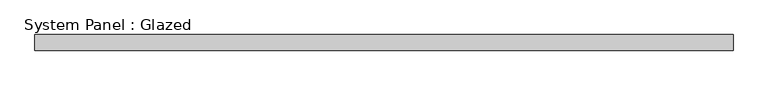
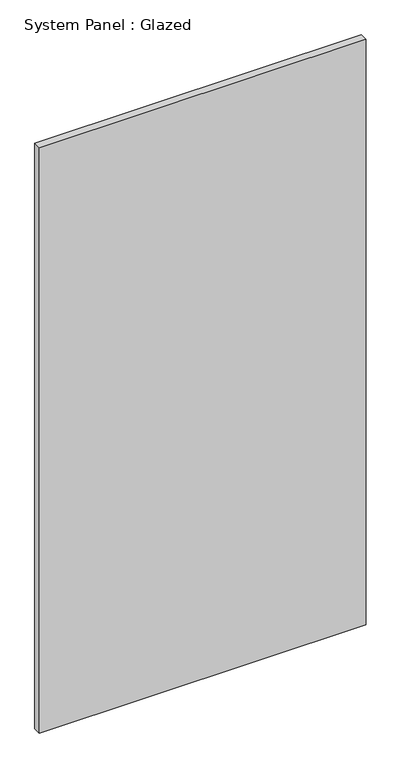
"""IFC4 building model written with IfcOpenShell, lengths in millimetres: plate geometry, System Panel : Glazed."""

import ifcopenshell
import ifcopenshell.guid

model = None  # the IFC model being written
_history = None  # IfcOwnerHistory: only IFC2X3 demands one
_inside = {}  # id of a spatial element -> (the spatial element, [elements in it])
_under = {}  # id of a project, library or spatial element -> (it, [spatial elements below it])
_declared = {}  # id of a project -> (the project, [libraries it declares])
_typed = {}  # id of a type object -> (the type object, [elements of that type])
_made_of = {}  # id of a material, layer set ... -> (it, [elements and type objects made of it])


def new_model(schema):
    """Start an empty IFC model of exactly this schema.

    Asked for "IFC4X3", IfcOpenShell would pick the latest addendum, in which some entities
    have other attributes; the version numbers below select the first issue.
    IFC2X3 requires an IfcOwnerHistory on every rooted entity: one is made here for all.
    """
    global model, _history
    if schema == "IFC4X3":
        model = ifcopenshell.file(schema_version=(4, 3, 0, 0))
    else:
        model = ifcopenshell.file(schema=schema)
    _inside.clear()
    _under.clear()
    _declared.clear()
    _typed.clear()
    _made_of.clear()
    _history = None
    if model.schema == "IFC2X3":
        org = make("IfcOrganization", Name="unknown")
        user = make(
            "IfcPersonAndOrganization",
            ThePerson=make("IfcPerson", FamilyName="unknown"),
            TheOrganization=org,
        )
        app = make(
            "IfcApplication",
            ApplicationDeveloper=org,
            Version="unknown",
            ApplicationFullName="unknown",
            ApplicationIdentifier="unknown",
        )
        _history = make(
            "IfcOwnerHistory",
            OwningUser=user,
            OwningApplication=app,
            ChangeAction="ADDED",
            CreationDate=0,
        )
    return model


def make(cls, **values):
    """One entity of the class cls with the attributes given. An attribute that is None is left unset."""
    return model.create_entity(
        cls, **{name: value for name, value in values.items() if value is not None}
    )


def rooted(cls, **values):
    """An entity with a GlobalId (a new one), such as an element, a storey or a relation."""
    return make(cls, GlobalId=ifcopenshell.guid.new(), OwnerHistory=_history, **values)


def si_unit(unit_type, name, prefix=None):
    """IfcSIUnit, for example si_unit("LENGTHUNIT", "METRE", prefix="MILLI")."""
    return make("IfcSIUnit", UnitType=unit_type, Prefix=prefix, Name=name)


def assignment(units):
    """IfcUnitAssignment: the units of a project."""
    return None if units is None else make("IfcUnitAssignment", Units=units)


def point(xyz):
    """IfcCartesianPoint."""
    return None if xyz is None else make("IfcCartesianPoint", Coordinates=xyz)


def direction(xyz):
    """IfcDirection."""
    return None if xyz is None else make("IfcDirection", DirectionRatios=xyz)


def frame(location, z_axis=None, x_axis=None):
    """IfcAxis2Placement3D, a coordinate frame: its origin and axes. An axis left out is left unset."""
    return make(
        "IfcAxis2Placement3D",
        Location=point(location),
        Axis=direction(z_axis),
        RefDirection=direction(x_axis),
    )


def origin():
    """The frame at (0, 0, 0) with its axes left unset."""
    return frame((0.0, 0.0, 0.0))


def origin_with_axes():
    """The frame at (0, 0, 0) with the z axis (0, 0, 1) and the x axis (1, 0, 0) written out."""
    return frame((0.0, 0.0, 0.0), z_axis=(0.0, 0.0, 1.0), x_axis=(1.0, 0.0, 0.0))


def place(relative_to, where):
    """IfcLocalPlacement: puts the frame where relative to a parent placement (None: the world)."""
    return make(
        "IfcLocalPlacement", PlacementRelTo=relative_to, RelativePlacement=where
    )


def context(
    kind, dimensions, precision=None, world=None, true_north=None, identifier=None
):
    """IfcGeometricRepresentationContext, for example the 3D "Model" context."""
    return make(
        "IfcGeometricRepresentationContext",
        ContextIdentifier=identifier,
        ContextType=kind,
        CoordinateSpaceDimension=dimensions,
        Precision=precision,
        WorldCoordinateSystem=world,
        TrueNorth=true_north,
    )


def project(units=None, contexts=None):
    """IfcProject with its units and contexts."""
    return rooted(
        "IfcProject",
        Name="project",
        RepresentationContexts=contexts,
        UnitsInContext=assignment(units),
    )


def spatial(cls, under=None, at=None, **own):
    """A site, building, storey or space (cls), placed at a placement, below another one or the project."""
    s = rooted(cls, ObjectPlacement=at, **own)
    if under is not None:
        _under.setdefault(under.id(), (under, []))[1].append(s)
    return s


def polyline(points):
    """IfcPolyline through the points."""
    return make("IfcPolyline", Points=[point(p) for p in points])


def outline(outer, holes=None, kind="AREA"):
    """IfcArbitraryClosedProfileDef: a profile drawn as a closed curve; with holes, ...WithVoids."""
    if holes is None:
        return make("IfcArbitraryClosedProfileDef", ProfileType=kind, OuterCurve=outer)
    return make(
        "IfcArbitraryProfileDefWithVoids",
        ProfileType=kind,
        OuterCurve=outer,
        InnerCurves=holes,
    )


def extrude(swept, where, along, depth):
    """IfcExtrudedAreaSolid: the profile swept, set in the frame where, extruded along a direction by depth."""
    return make(
        "IfcExtrudedAreaSolid",
        SweptArea=swept,
        Position=where,
        ExtrudedDirection=direction(along),
        Depth=depth,
    )


def shape(context_of_items, identifier, shape_type, items):
    """IfcShapeRepresentation: the items that make up one representation, for example the "Body"."""
    return make(
        "IfcShapeRepresentation",
        ContextOfItems=context_of_items,
        RepresentationIdentifier=identifier,
        RepresentationType=shape_type,
        Items=items,
    )


def source(mapping_origin, context_of_items, identifier, shape_type, items):
    """IfcRepresentationMap: a shape defined once, which mapped items show again and again."""
    return make(
        "IfcRepresentationMap",
        MappingOrigin=mapping_origin,
        MappedRepresentation=shape(context_of_items, identifier, shape_type, items),
    )


def transform(
    local_origin,
    x_axis=None,
    y_axis=None,
    z_axis=None,
    scale=None,
    scale2=None,
    scale3=None,
    uniform=True,
):
    """IfcCartesianTransformationOperator3D, or its non-uniform kind. x_axis, y_axis, z_axis: its Axis1, 2, 3."""
    if uniform:
        return make(
            "IfcCartesianTransformationOperator3D",
            Axis1=direction(x_axis),
            Axis2=direction(y_axis),
            LocalOrigin=point(local_origin),
            Scale=scale,
            Axis3=direction(z_axis),
        )
    return make(
        "IfcCartesianTransformationOperator3DnonUniform",
        Axis1=direction(x_axis),
        Axis2=direction(y_axis),
        LocalOrigin=point(local_origin),
        Scale=scale,
        Axis3=direction(z_axis),
        Scale2=scale2,
        Scale3=scale3,
    )


def mapped(mapping_source, mapping_target):
    """IfcMappedItem: shows the shape of a source again, moved by a transform."""
    return make(
        "IfcMappedItem", MappingSource=mapping_source, MappingTarget=mapping_target
    )


def made_of(thing, what):
    """Note that an element or type object is made of a material, layer set ...; save() writes the relation."""
    if what is not None:
        _made_of.setdefault(what.id(), (what, []))[1].append(thing)
    return thing


def element(
    cls,
    number,
    at=None,
    inside=None,
    cuts=None,
    type_object=None,
    material=None,
    context=None,
    identifier="Body",
    shape_type=None,
    held_by="IfcProductDefinitionShape",
    body=None,
    shapes=None,
    **own,
):
    """One element of the class cls, such as IfcWall. Its Tag is "e" and its number.

    at: its placement. inside: the storey or other place that contains it. cuts: it is an
    opening in that element (IfcRelVoidsElement). A single representation is given by context,
    identifier, shape_type and body (its items); several are given by shapes. held_by: the class
    of the entity that holds the representations. save() writes the other relations.
    """
    e = rooted(cls, Tag="e%d" % number, ObjectPlacement=at, **own)
    if body is not None:
        shapes = [shape(context, identifier, shape_type, body)]
    if shapes is not None:
        e.Representation = make(held_by, Representations=shapes)
    if inside is not None:
        _inside.setdefault(inside.id(), (inside, []))[1].append(e)
    if cuts is not None:
        rooted(
            "IfcRelVoidsElement", RelatingBuildingElement=cuts, RelatedOpeningElement=e
        )
    if type_object is not None:
        _typed.setdefault(type_object.id(), (type_object, []))[1].append(e)
    return made_of(e, material)


def aggregate(whole, parts):
    """IfcRelAggregates: a whole, such as a stair, and the parts it consists of."""
    return rooted("IfcRelAggregates", RelatingObject=whole, RelatedObjects=parts)


def save(model, path):
    """Write the relations noted so far, then the file.

    IfcRelAggregates (storeys below a building ...), IfcRelContainedInSpatialStructure (elements
    in a storey), IfcRelDefinesByType, IfcRelAssociatesMaterial and IfcRelDeclares: one each for
    every whole, place, type object, material and project.
    """
    for whole, parts in _under.values():
        aggregate(whole, parts)
    for where, things in _inside.values():
        rooted(
            "IfcRelContainedInSpatialStructure",
            RelatedElements=things,
            RelatingStructure=where,
        )
    for kind, things in _typed.values():
        rooted("IfcRelDefinesByType", RelatedObjects=things, RelatingType=kind)
    for what, things in _made_of.values():
        rooted("IfcRelAssociatesMaterial", RelatedObjects=things, RelatingMaterial=what)
    for by, libraries in _declared.values():
        rooted("IfcRelDeclares", RelatingContext=by, RelatedDefinitions=libraries)
    model.write(path)


def system_panel_glazed_907173e8(model_context):
    return source(origin(), model_context, "Body", "SweptSolid", [
        extrude(outline(polyline([(543.75, 24.5), (-543.75, 24.5), (-543.75, 49.5), (543.75, 49.5), (543.75, 24.5)])), origin_with_axes(), (0.0, 0.0, 1.0), 2058.4195363),
    ])


if __name__ == "__main__":
    model = new_model("IFC4")
    model_context = context("Model", 3, world=origin())
    ifc_project = project(units=[si_unit("LENGTHUNIT", "METRE", prefix="MILLI")], contexts=[model_context])
    site = spatial("IfcSite", under=ifc_project)
    building = spatial("IfcBuilding", under=site)
    placement = place(None, origin())
    system_panel_glazed_shape = system_panel_glazed_907173e8(model_context)
    element("IfcPlate", 1, ObjectType="System Panel : Glazed", at=placement, inside=building, context=model_context, shape_type="MappedRepresentation", body=[
        mapped(system_panel_glazed_shape, transform((0.0, 0.0, 0.0), x_axis=(1.0, 0.0, 0.0), y_axis=(0.0, 1.0, 0.0), z_axis=(0.0, 0.0, 1.0))),
    ])
    save(model, "model.ifc")
